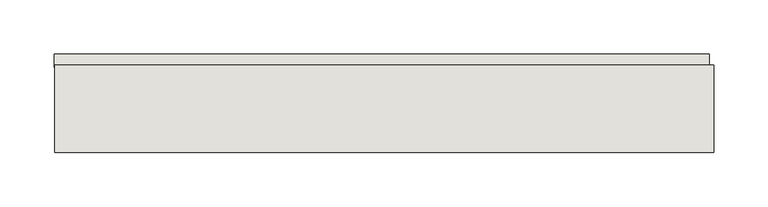
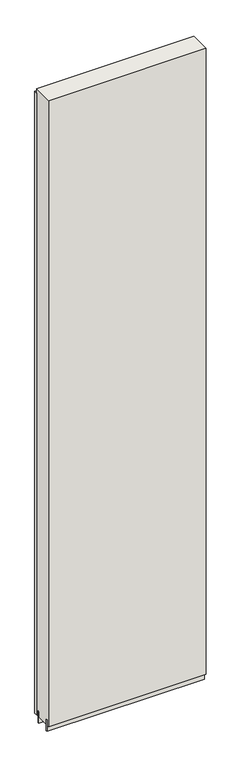
"""IFC4 building model written with IfcOpenShell, lengths in millimetres: wall geometry."""

from ifc_helpers import new_model, si_unit, frame, origin, place, context, project, spatial, polyline, outline, extrude, source, transform, mapped, element, save


def wall_37dc9f5c(model_context):
    return source(origin(), model_context, "Body", "SweptSolid", [
        extrude(outline(polyline([(49584.5318696, -44700.2036398), (49581.9918696, -44700.2036398), (49581.9918696, -44697.6636398), (49584.5318696, -44697.6636398), (49584.5318696, -44700.2036398)])), frame((0.0, 0.0, 4419.6), z_axis=(0.0, 0.0, 1.0), x_axis=(1.0, 0.0, 0.0)), (0.0, 0.0, 1.0), 2.54),
        extrude(outline(polyline([(48973.9420316, -44648.1336398), (49580.0671592, -44648.1336398), (49580.0671592, -44660.8336398), (48973.9420316, -44660.8336398), (48973.9420316, -44648.1336398)])), frame((0.0, 0.0, 4445.0), z_axis=(0.0, 0.0, 1.0), x_axis=(1.0, 0.0, 0.0)), (0.0, 0.0, 1.0), 2545.0498756),
        extrude(outline(polyline([(49584.5331142, -44673.8498952), (48974.3998158, -44673.8498952), (48974.3998158, -44668.7711398), (49584.5331142, -44668.7711398), (49584.5331142, -44673.8498952)])), frame((0.0, 0.0, 4418.6602), z_axis=(0.0, 0.0, 1.0), x_axis=(1.0, 0.0, 0.0)), (0.0, 0.0, 1.0), 47.625),
        extrude(outline(polyline([(49584.5331142, -44673.8498952), (48974.3998158, -44673.8498952), (48974.3998158, -44668.7711398), (49584.5331142, -44668.7711398), (49584.5331142, -44673.8498952)])), frame((0.0, 0.0, 4418.6602), z_axis=(0.0, 0.0, 1.0), x_axis=(1.0, 0.0, 0.0)), (0.0, 0.0, 1.0), 47.625),
        extrude(outline(polyline([(48974.3998158, -44724.0142856), (49584.5331142, -44724.0142856), (49584.5331142, -44729.0961398), (48974.3998158, -44729.0961398), (48974.3998158, -44724.0142856)])), frame((0.0, 0.0, 4418.6602), z_axis=(0.0, 0.0, 1.0), x_axis=(1.0, 0.0, 0.0)), (0.0, 0.0, 1.0), 47.625),
        extrude(outline(polyline([(48974.3998158, -44724.0142856), (49584.5331142, -44724.0142856), (49584.5331142, -44729.0961398), (48974.3998158, -44729.0961398), (48974.3998158, -44724.0142856)])), frame((0.0, 0.0, 4418.6602), z_axis=(0.0, 0.0, 1.0), x_axis=(1.0, 0.0, 0.0)), (0.0, 0.0, 1.0), 47.625),
        extrude(outline(polyline([(49584.5331142, -44658.30667), (49584.5331142, -44739.5854254), (48974.3998158, -44739.5854254), (48974.3998158, -44658.30667), (49584.5331142, -44658.30667)])), frame((0.0, 0.0, 4445.0), z_axis=(0.0, 0.0, 1.0), x_axis=(1.0, 0.0, 0.0)), (0.0, 0.0, 1.0), 2562.4536762),
    ])


if __name__ == "__main__":
    model = new_model("IFC4")
    model_context = context("Model", 3, world=origin())
    ifc_project = project(units=[si_unit("LENGTHUNIT", "METRE", prefix="MILLI")], contexts=[model_context])
    site = spatial("IfcSite", under=ifc_project)
    building = spatial("IfcBuilding", under=site)
    placement = place(None, origin())
    wall_shape = wall_37dc9f5c(model_context)
    element("IfcWall", 1, at=placement, inside=building, context=model_context, shape_type="MappedRepresentation", body=[
        mapped(wall_shape, transform((0.0, 0.0, 0.0), x_axis=(1.0, 0.0, 0.0), y_axis=(0.0, 1.0, 0.0), z_axis=(0.0, 0.0, 1.0))),
    ])
    save(model, "model.ifc")
